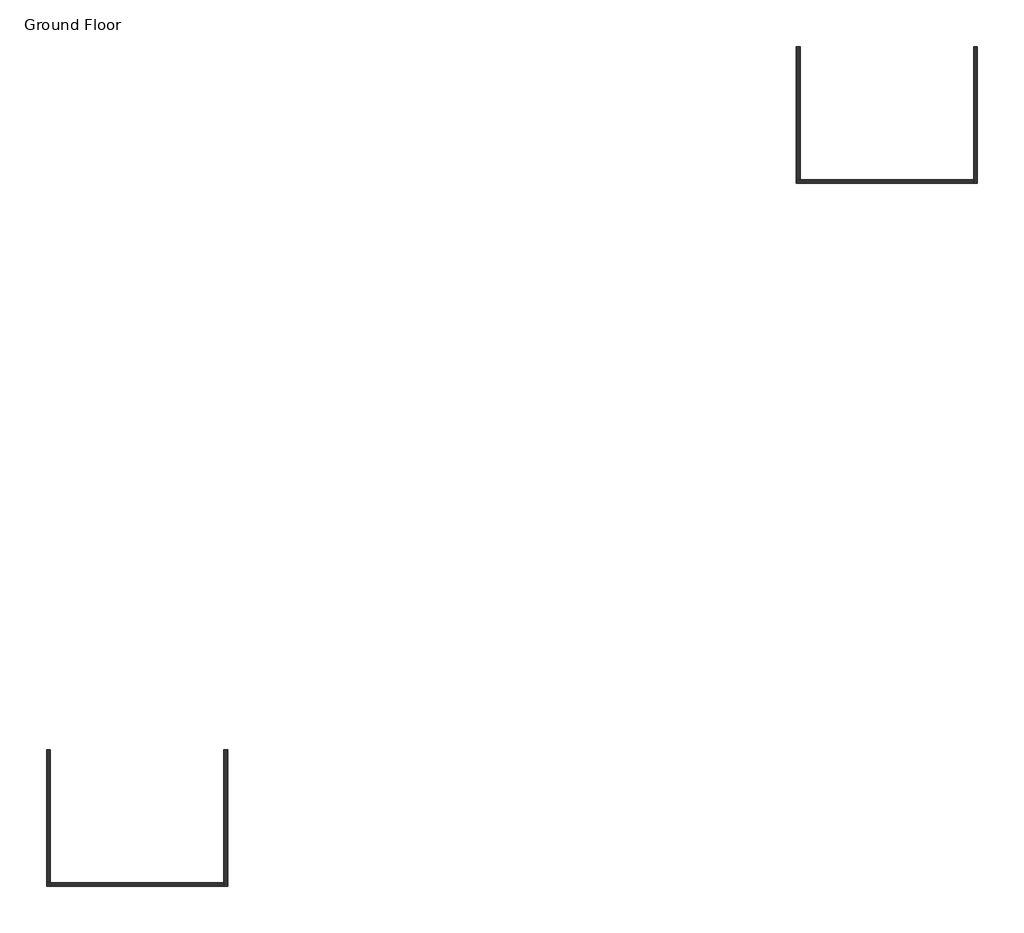
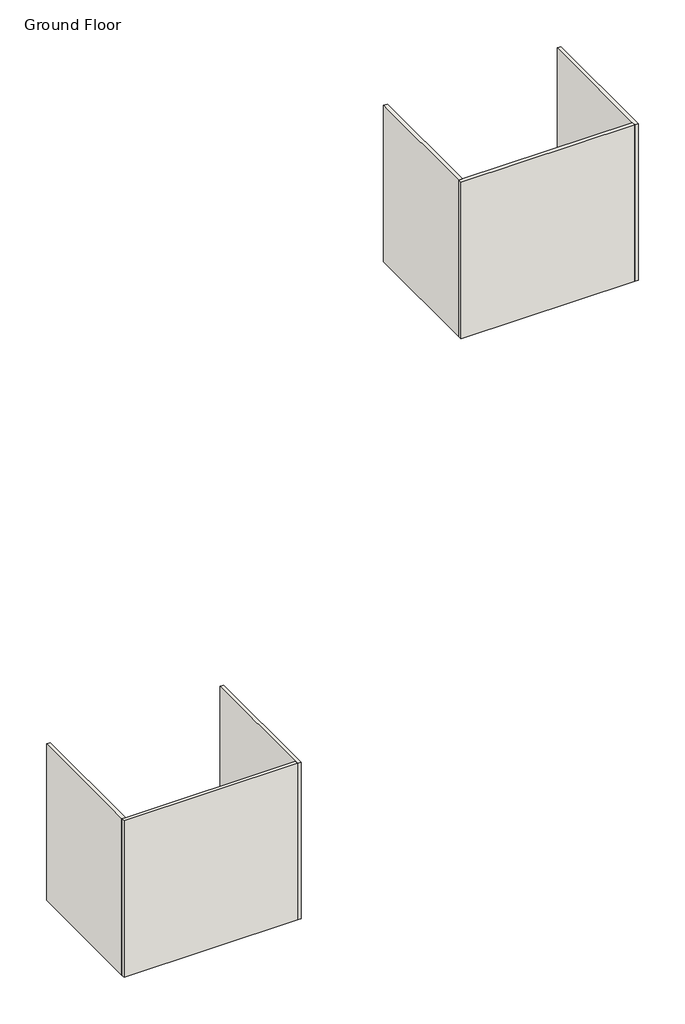
# One storey: 6 walls.
"""IFC4 building model written with IfcOpenShell, lengths in millimetres."""

from ifc_helpers import new_model, si_unit, origin, origin_with_axes, place, context, project, spatial, polyline, outline, extrude, faceted_brep, element, save

model = new_model("IFC4")

# Units and contexts
model_context = context("Model", 3, world=origin())
ifc_project = project(units=[si_unit("LENGTHUNIT", "METRE", prefix="MILLI")], contexts=[model_context])

# Site, building, storey
site = spatial("IfcSite", under=ifc_project)
building = spatial("IfcBuilding", under=site)
storey = spatial("IfcBuildingStorey", under=building, Name="Ground Floor", Elevation=0.0)

# Walls
placement = place(None, origin())
element("IfcWall", 1, ObjectType="Stud timber - 90", at=placement, inside=storey, context=model_context, shape_type="Brep", body=[
    faceted_brep([(11483.9403596, 10331.1300174, 0.0), (11483.9403596, 7176.1300174, 0.0), (11483.9403596, 7086.1300174, 0.0), (11483.9403596, 7086.1300174, 4000.0), (11483.9403596, 7176.1300174, 4000.0), (11483.9403596, 10331.1300174, 4000.0), (11573.9403596, 10331.1300174, 0.0), (11573.9403596, 10331.1300174, 4000.0), (11573.9403596, 7086.1300174, 4000.0), (11573.9403596, 7086.1300174, 0.0)], [[[0, 1, 2, 3, 4, 5]], [[6, 7, 8, 9]], [[2, 1, 0, 6, 9]], [[5, 4, 3, 8, 7]], [[0, 5, 7, 6]], [[3, 2, 9, 8]]]),
])
element("IfcWall", 2, ObjectType="Stud timber - 90", at=placement, inside=storey, context=model_context, shape_type="Brep", body=[
    faceted_brep([(11483.9403596, 7176.1300174, 0.0), (7373.9403596, 7176.1300174, 0.0), (7283.9403596, 7176.1300174, 0.0), (7283.9403596, 7176.1300174, 4000.0), (7373.9403596, 7176.1300174, 4000.0), (11483.9403596, 7176.1300174, 4000.0), (11483.9403596, 7086.1300174, 0.0), (11483.9403596, 7086.1300174, 4000.0), (7283.9403596, 7086.1300174, 4000.0), (7283.9403596, 7086.1300174, 0.0)], [[[0, 1, 2, 3, 4, 5]], [[6, 7, 8, 9]], [[2, 1, 0, 6, 9]], [[5, 4, 3, 8, 7]], [[3, 2, 9, 8]], [[0, 5, 7, 6]]]),
])
element("IfcWall", 3, ObjectType="Stud timber - 90", at=placement, inside=storey, context=model_context, shape_type="SweptSolid", body=[
    extrude(outline(polyline([(7373.9403596, 10331.1300174), (7373.9403596, 7176.1300174), (7283.9403596, 7176.1300174), (7283.9403596, 10331.1300174), (7373.9403596, 10331.1300174)])), origin_with_axes(), (0.0, 0.0, 1.0), 4000.0),
])
element("IfcWall", 4, ObjectType="Stud timber - 90", at=placement, inside=storey, context=model_context, shape_type="Brep", body=[
    faceted_brep([(-6289.1111839, -6329.4770361, 0.0), (-6289.1111839, -9484.4770361, 0.0), (-6289.1111839, -9574.4770361, 0.0), (-6289.1111839, -9574.4770361, 4000.0), (-6289.1111839, -9484.4770361, 4000.0), (-6289.1111839, -6329.4770361, 4000.0), (-6199.1111839, -6329.4770361, 0.0), (-6199.1111839, -6329.4770361, 4000.0), (-6199.1111839, -9574.4770361, 4000.0), (-6199.1111839, -9574.4770361, 0.0)], [[[0, 1, 2, 3, 4, 5]], [[6, 7, 8, 9]], [[2, 1, 0, 6, 9]], [[5, 4, 3, 8, 7]], [[0, 5, 7, 6]], [[3, 2, 9, 8]]]),
])
element("IfcWall", 5, ObjectType="Stud timber - 90", at=placement, inside=storey, context=model_context, shape_type="Brep", body=[
    faceted_brep([(-6289.1111839, -9484.4770361, 0.0), (-10399.1111839, -9484.4770361, 0.0), (-10489.1111839, -9484.4770361, 0.0), (-10489.1111839, -9484.4770361, 4000.0), (-10399.1111839, -9484.4770361, 4000.0), (-6289.1111839, -9484.4770361, 4000.0), (-6289.1111839, -9574.4770361, 0.0), (-6289.1111839, -9574.4770361, 4000.0), (-10489.1111839, -9574.4770361, 4000.0), (-10489.1111839, -9574.4770361, 0.0)], [[[0, 1, 2, 3, 4, 5]], [[6, 7, 8, 9]], [[2, 1, 0, 6, 9]], [[5, 4, 3, 8, 7]], [[3, 2, 9, 8]], [[0, 5, 7, 6]]]),
])
element("IfcWall", 6, ObjectType="Stud timber - 90", at=placement, inside=storey, context=model_context, shape_type="SweptSolid", body=[
    extrude(outline(polyline([(-10399.1111839, -6329.4770361), (-10399.1111839, -9484.4770361), (-10489.1111839, -9484.4770361), (-10489.1111839, -6329.4770361), (-10399.1111839, -6329.4770361)])), origin_with_axes(), (0.0, 0.0, 1.0), 4000.0),
])

save(model, "model.ifc")
